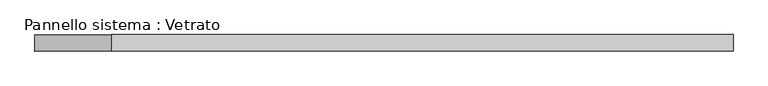
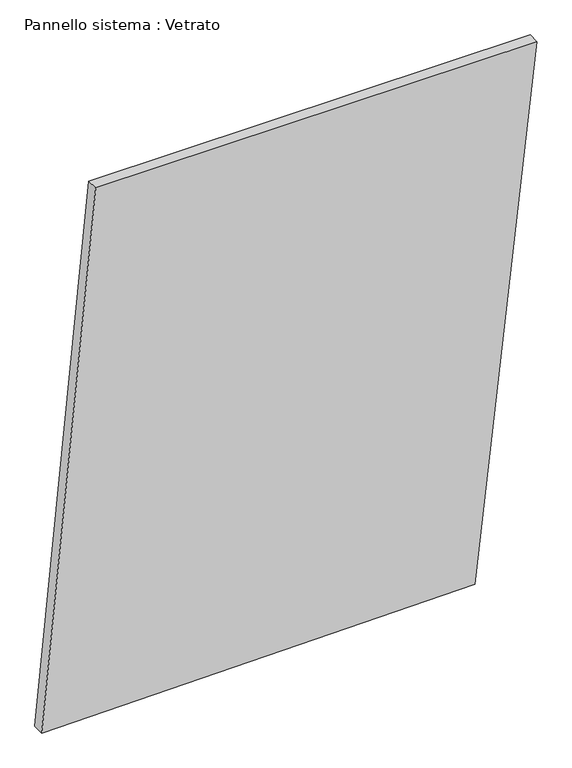
"""IFC4 building model written with IfcOpenShell, lengths in millimetres: plate geometry, Pannello sistema : Vetrato."""

from ifc_helpers import new_model, si_unit, frame, origin, place, context, project, spatial, polyline, outline, extrude, source, transform, mapped, element, save


def pannello_sistema_vetrato_980c158f(model_context):
    return source(origin(), model_context, "Body", "SweptSolid", [
        extrude(outline(polyline([(0.0, -635.1325369), (14.6158444, 475.094336), (1428.1764542, 635.1325369), (1428.1764585, -496.632059), (0.0, -635.1325369)])), frame((0.0, -15.0, 0.0), z_axis=(0.0, 1.0, 0.0), x_axis=(0.0, 0.0, 1.0)), (0.0, 0.0, 1.0), 30.0),
    ])


if __name__ == "__main__":
    model = new_model("IFC4")
    model_context = context("Model", 3, world=origin())
    ifc_project = project(units=[si_unit("LENGTHUNIT", "METRE", prefix="MILLI")], contexts=[model_context])
    site = spatial("IfcSite", under=ifc_project)
    building = spatial("IfcBuilding", under=site)
    placement = place(None, origin())
    pannello_sistema_vetrato_shape = pannello_sistema_vetrato_980c158f(model_context)
    element("IfcPlate", 1, ObjectType="Pannello sistema : Vetrato", at=placement, inside=building, context=model_context, shape_type="MappedRepresentation", body=[
        mapped(pannello_sistema_vetrato_shape, transform((0.0, 0.0, 0.0), x_axis=(1.0, 0.0, 0.0), y_axis=(0.0, 1.0, 0.0), z_axis=(0.0, 0.0, 1.0))),
    ])
    save(model, "model.ifc")
